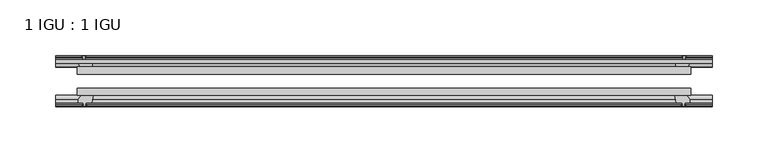
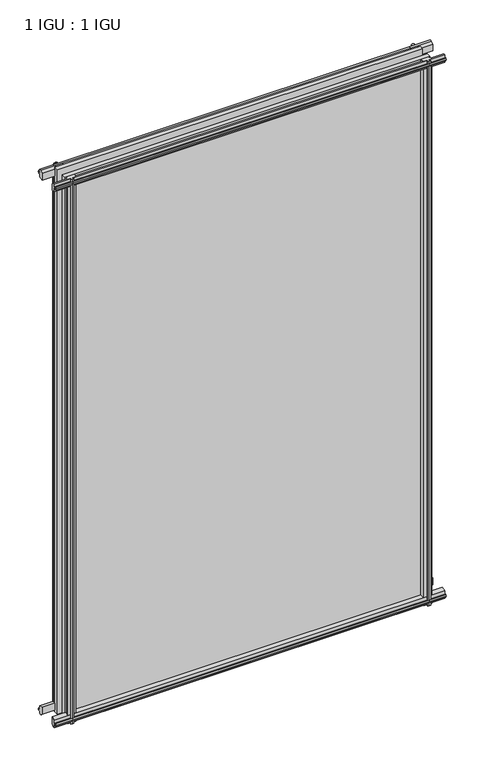
"""IFC4 building model written with IfcOpenShell, lengths in millimetres: plate geometry, 1 IGU : 1 IGU."""

from ifc_helpers import new_model, si_unit, frame, origin, place, context, project, spatial, polyline, outline, extrude, source, transform, mapped, element, save


def plate_1_igu_1_igu_e2b7640a(model_context):
    return source(origin(), model_context, "Body", "SweptSolid", [
        extrude(outline(polyline([(-273.8244096, -38.6468937), (273.8244096, -38.6468937), (273.8244096, -44.9460938), (-273.8244096, -44.9460938), (-273.8244096, -38.6468937)])), frame((0.0, 0.0, -12.7), z_axis=(0.0, 0.0, 1.0), x_axis=(1.0, 0.0, 0.0)), (0.0, 0.0, 1.0), 863.5999996),
        extrude(outline(polyline([(-273.8244096, -19.5460937), (273.8244096, -19.5460937), (273.8244096, -25.8960938), (-273.8244096, -25.8960938), (-273.8244096, -19.5460937)])), frame((0.0, 0.0, -12.7), z_axis=(0.0, 0.0, 1.0), x_axis=(1.0, 0.0, 0.0)), (0.0, 0.0, 1.0), 863.5999996),
        extrude(outline(polyline([(-44.9460937, 1.7177181), (-44.9460937, -9.1036578), (-48.3496937, -11.938), (-51.2960937, -11.938), (-51.2960937, -7.493), (-53.6762907, -7.112), (-53.2163575, -8.5275291), (-54.0175717, -8.5275291), (-54.7250937, -6.35), (-54.0175717, -4.1724709), (-53.2163575, -4.1724709), (-53.6762907, -5.588), (-51.2960937, -5.207), (-51.2960937, 0.0), (-44.9460937, 1.7177181)])), frame((-292.8744096, 0.0, 0.0), z_axis=(1.0, 0.0, 0.0), x_axis=(0.0, 1.0, 0.0)), (0.0, 0.0, 1.0), 585.7488192),
        extrude(outline(polyline([(-13.1960937, -12.4587), (-16.1424937, -12.4587), (-19.5460937, -9.6243578), (-19.5460937, 1.1970181), (-13.1960937, -0.5207), (-13.1960937, -5.7277), (-10.8158968, -6.1087), (-11.27583, -4.6931709), (-10.4746158, -4.6931709), (-9.7670937, -6.8707), (-10.4746158, -9.0482291), (-11.27583, -9.0482291), (-10.8158968, -7.6327), (-13.1960937, -8.0137), (-13.1960937, -12.4587)])), frame((-292.8744096, 0.0, 0.0), z_axis=(1.0, 0.0, 0.0), x_axis=(0.0, 1.0, 0.0)), (0.0, 0.0, 1.0), 585.7488192),
        extrude(outline(polyline([(-51.2960937, 850.1379996), (-48.3496937, 850.1379996), (-44.9460937, 847.3036575), (-44.9460937, 836.4822816), (-51.2960937, 838.1999996), (-51.2960937, 843.4069996), (-53.6762907, 843.7879996), (-53.2163575, 842.3724706), (-54.0175717, 842.3724706), (-54.7250937, 844.5499996), (-54.0175717, 846.7275287), (-53.2163575, 846.7275287), (-53.6762907, 845.3119996), (-51.2960937, 845.6929996), (-51.2960937, 850.1379996)])), frame((-292.8744096, 0.0, 0.0), z_axis=(1.0, 0.0, 0.0), x_axis=(0.0, 1.0, 0.0)), (0.0, 0.0, 1.0), 585.7488192),
        extrude(outline(polyline([(-19.5460937, 837.0029816), (-19.5460937, 847.8243575), (-16.1424937, 850.6586996), (-13.1960937, 850.6586996), (-13.1960937, 846.2136996), (-10.8158968, 845.8326996), (-11.27583, 847.2482287), (-10.4746158, 847.2482287), (-9.7670937, 845.0706996), (-10.4746158, 842.8931706), (-11.27583, 842.8931706), (-10.8158968, 844.3086996), (-13.1960937, 843.9276996), (-13.1960937, 838.7206996), (-19.5460937, 837.0029816)])), frame((-292.8744096, 0.0, 0.0), z_axis=(1.0, 0.0, 0.0), x_axis=(0.0, 1.0, 0.0)), (0.0, 0.0, 1.0), 585.7488192),
        extrude(outline(polyline([(259.9273915, -19.5460938), (261.6451096, -13.1960938), (266.8521096, -13.1960938), (267.2331096, -10.8158968), (265.8175805, -11.27583), (265.8175805, -10.4746158), (267.9951096, -9.7670938), (270.1726386, -10.4746158), (270.1726386, -11.27583), (268.7571096, -10.8158968), (269.1381096, -13.1960938), (273.5831096, -13.1960938), (273.5831096, -16.1424938), (270.7487674, -19.5460938), (259.9273915, -19.5460938)])), frame((0.0, 0.0, -12.7), z_axis=(0.0, 0.0, 1.0), x_axis=(1.0, 0.0, 0.0)), (0.0, 0.0, 1.0), 863.5999998),
        extrude(outline(polyline([(259.4066915, -44.9460938), (270.2280674, -44.9460938), (273.0624096, -48.3496938), (273.0624096, -51.2960938), (268.6174096, -51.2960938), (268.2364096, -53.6762907), (269.6519386, -53.2163575), (269.6519386, -54.0175717), (267.4744096, -54.7250938), (265.2968805, -54.0175717), (265.2968805, -53.2163575), (266.7124096, -53.6762907), (266.3314096, -51.2960938), (261.1244096, -51.2960938), (259.4066915, -44.9460938)])), frame((0.0, 0.0, -12.7), z_axis=(0.0, 0.0, 1.0), x_axis=(1.0, 0.0, 0.0)), (0.0, 0.0, 1.0), 863.5999998),
        extrude(outline(polyline([(-267.9951096, -9.7670937), (-265.8175805, -10.4746158), (-265.8175805, -11.27583), (-267.2331096, -10.8158968), (-266.8521096, -13.1960937), (-261.6451096, -13.1960937), (-259.9273915, -19.5460937), (-270.7487674, -19.5460937), (-273.5831096, -16.1424937), (-273.5831096, -13.1960937), (-269.1381096, -13.1960937), (-268.7571096, -10.8158968), (-270.1726386, -11.27583), (-270.1726386, -10.4746158), (-267.9951096, -9.7670937)])), frame((0.0, 0.0, -12.7), z_axis=(0.0, 0.0, 1.0), x_axis=(1.0, 0.0, 0.0)), (0.0, 0.0, 1.0), 863.5999998),
        extrude(outline(polyline([(-273.0624096, -48.3496937), (-270.2280674, -44.9460937), (-259.4066915, -44.9460937), (-261.1244096, -51.2960937), (-266.3314096, -51.2960937), (-266.7124096, -53.6762907), (-265.2968805, -53.2163575), (-265.2968805, -54.0175717), (-267.4744096, -54.7250937), (-269.6519386, -54.0175717), (-269.6519386, -53.2163575), (-268.2364096, -53.6762907), (-268.6174096, -51.2960937), (-273.0624096, -51.2960937), (-273.0624096, -48.3496937)])), frame((0.0, 0.0, -12.7), z_axis=(0.0, 0.0, 1.0), x_axis=(1.0, 0.0, 0.0)), (0.0, 0.0, 1.0), 863.5999998),
    ])


if __name__ == "__main__":
    model = new_model("IFC4")
    model_context = context("Model", 3, world=origin())
    ifc_project = project(units=[si_unit("LENGTHUNIT", "METRE", prefix="MILLI")], contexts=[model_context])
    site = spatial("IfcSite", under=ifc_project)
    building = spatial("IfcBuilding", under=site)
    placement = place(None, origin())
    plate_1_igu_1_igu_shape = plate_1_igu_1_igu_e2b7640a(model_context)
    element("IfcPlate", 1, ObjectType="1 IGU : 1 IGU", at=placement, inside=building, context=model_context, shape_type="MappedRepresentation", body=[
        mapped(plate_1_igu_1_igu_shape, transform((0.0, 0.0, 0.0), x_axis=(1.0, 0.0, 0.0), y_axis=(0.0, 1.0, 0.0), z_axis=(0.0, 0.0, 1.0))),
    ])
    save(model, "model.ifc")
